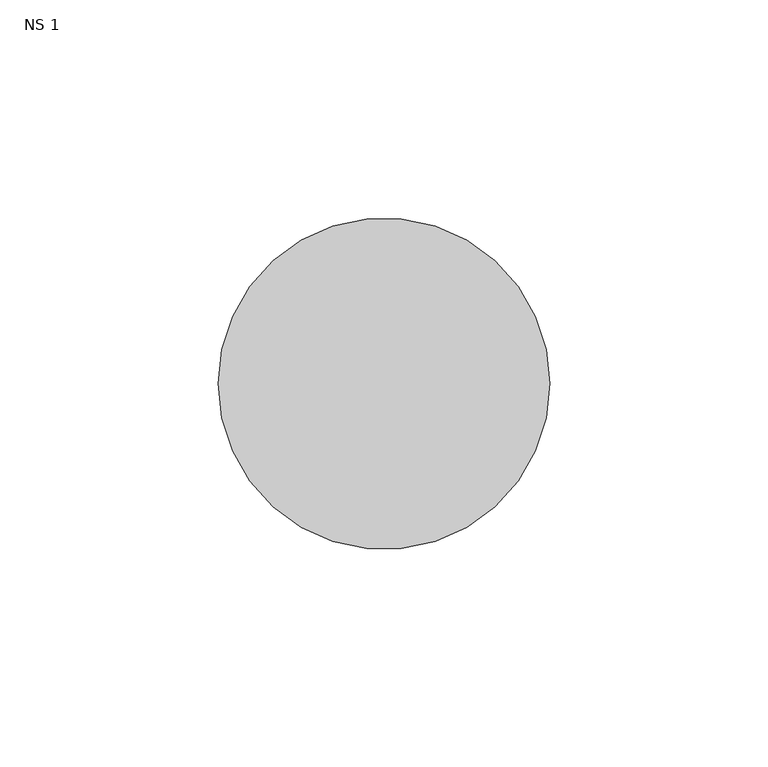
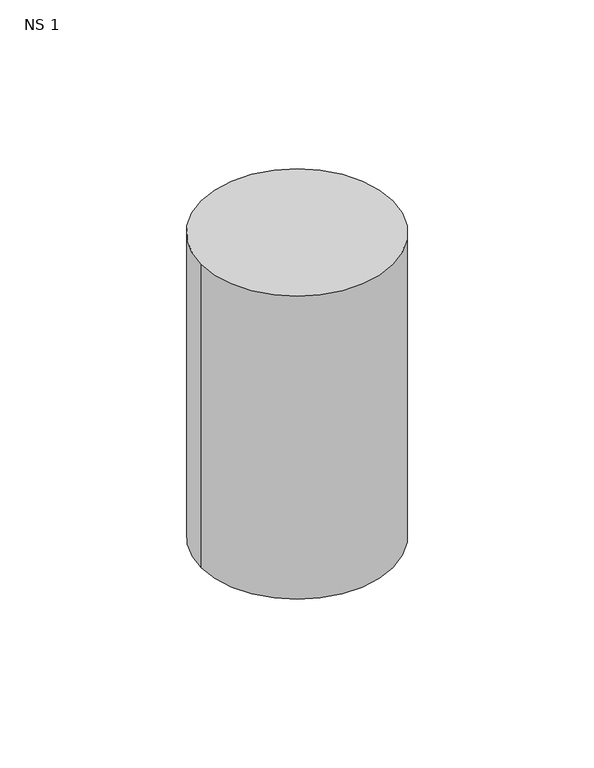
"""IFC4 building model written with IfcOpenShell, lengths in millimetres: unitary equipment geometry, NS 1."""

from ifc_helpers import new_model, si_unit, point, frame, frame_2d, origin, place, context, project, spatial, circle_curve, trimmed, segment, composite_curve, outline, extrude, source, transform, mapped, element, save


def ns_1_6d140534(model_context):
    return source(origin(), model_context, "Body", "SweptSolid", [
        extrude(outline(composite_curve([segment(trimmed(circle_curve(frame_2d((-304.5, 238.5395574)), 38.0), [point((-342.5, 238.5395574))], [point((-266.5, 238.5395574))], False, "CARTESIAN"), True, "CONTINUOUS"), segment(trimmed(circle_curve(frame_2d((-304.5, 238.5395574)), 38.0), [point((-266.5, 238.5395574))], [point((-342.5, 238.5395574))], False, "CARTESIAN"), True, "CONTINUOUS")], self_intersect=False)), frame((0.0, 0.0, 1140.0), z_axis=(0.0, 0.0, 1.0), x_axis=(1.0, 0.0, 0.0)), (0.0, 0.0, 1.0), 127.0),
    ])


if __name__ == "__main__":
    model = new_model("IFC4")
    model_context = context("Model", 3, world=origin())
    ifc_project = project(units=[si_unit("LENGTHUNIT", "METRE", prefix="MILLI")], contexts=[model_context])
    site = spatial("IfcSite", under=ifc_project)
    building = spatial("IfcBuilding", under=site)
    placement = place(None, origin())
    ns_1_shape = ns_1_6d140534(model_context)
    element("IfcUnitaryEquipment", 1, ObjectType="NS 1", at=placement, inside=building, context=model_context, shape_type="MappedRepresentation", body=[
        mapped(ns_1_shape, transform((0.0, 0.0, 0.0), x_axis=(1.0, 0.0, 0.0), y_axis=(0.0, 1.0, 0.0), z_axis=(0.0, 0.0, 1.0))),
    ])
    save(model, "model.ifc")
